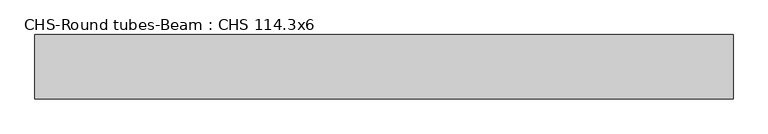
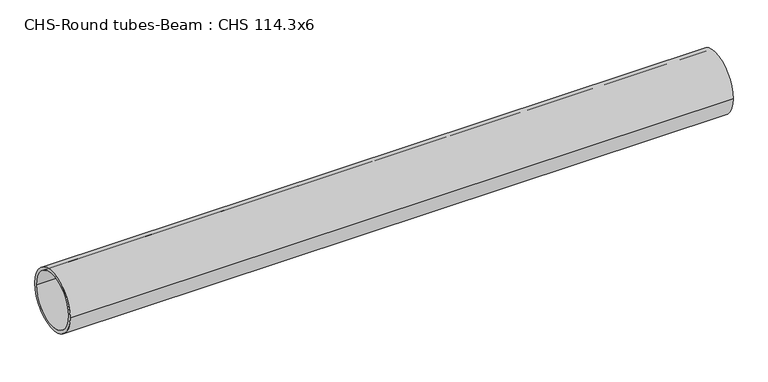
"""IFC4 building model written with IfcOpenShell, lengths in millimetres: beam geometry, CHS-Round tubes-Beam : CHS 114.3x6."""

from ifc_helpers import new_model, si_unit, point, frame, origin, origin_2d, place, context, project, spatial, circle_curve, trimmed, segment, composite_curve, outline, extrude, source, transform, mapped, element, save


def chs_round_tubes_beam_chs_114_3x6_13d0c036(model_context):
    return source(origin(), model_context, "Body", "SweptSolid", [
        extrude(outline(composite_curve([segment(trimmed(circle_curve(origin_2d(), 57.15), [point((57.15, 0.0))], [point((-57.15, 0.0))], False, "CARTESIAN"), True, "CONTINUOUS"), segment(trimmed(circle_curve(origin_2d(), 57.15), [point((-57.15, 0.0))], [point((57.15, 0.0))], False, "CARTESIAN"), True, "CONTINUOUS")], self_intersect=False), holes=[composite_curve([segment(trimmed(circle_curve(origin_2d(), 51.15), [point((51.15, 0.0))], [point((-51.15, 0.0))], True, "CARTESIAN"), True, "CONTINUOUS"), segment(trimmed(circle_curve(origin_2d(), 51.15), [point((-51.15, 0.0))], [point((51.15, 0.0))], True, "CARTESIAN"), True, "CONTINUOUS")], self_intersect=False)]), frame((-621.5531914, 0.0, 0.0), z_axis=(1.0, 0.0, 0.0), x_axis=(0.0, 1.0, 0.0)), (0.0, 0.0, 1.0), 1242.3907984),
    ])


if __name__ == "__main__":
    model = new_model("IFC4")
    model_context = context("Model", 3, world=origin())
    ifc_project = project(units=[si_unit("LENGTHUNIT", "METRE", prefix="MILLI")], contexts=[model_context])
    site = spatial("IfcSite", under=ifc_project)
    building = spatial("IfcBuilding", under=site)
    placement = place(None, origin())
    chs_round_tubes_beam_chs_114_3x6_shape = chs_round_tubes_beam_chs_114_3x6_13d0c036(model_context)
    element("IfcBeam", 1, ObjectType="CHS-Round tubes-Beam : CHS 114.3x6", at=placement, inside=building, context=model_context, shape_type="MappedRepresentation", body=[
        mapped(chs_round_tubes_beam_chs_114_3x6_shape, transform((0.0, 0.0, 0.0), x_axis=(1.0, 0.0, 0.0), y_axis=(0.0, 1.0, 0.0), z_axis=(0.0, 0.0, 1.0))),
    ])
    save(model, "model.ifc")
